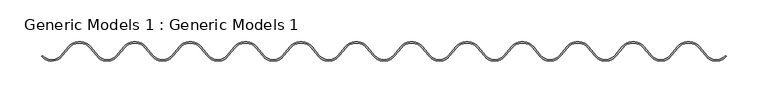
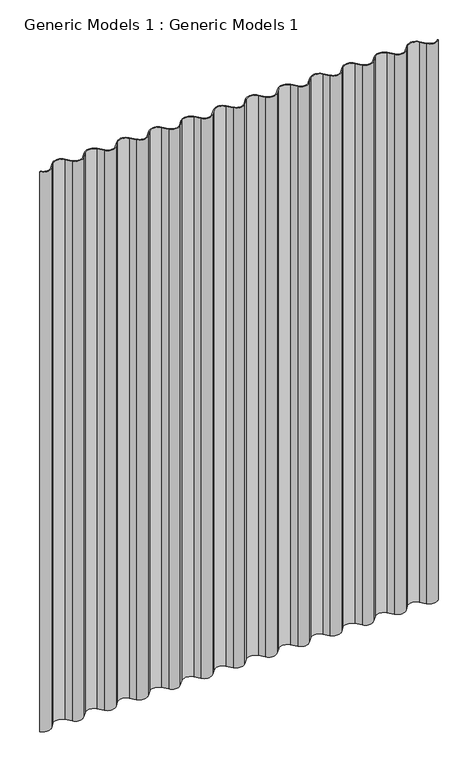
"""IFC4 building model written with IfcOpenShell, lengths in millimetres: proxy geometry, Generic Models 1 : Generic Models 1."""

from ifc_helpers import new_model, si_unit, point, frame_2d, origin, origin_with_axes, place, context, project, spatial, polyline, circle_curve, trimmed, segment, composite_curve, outline, extrude, source, transform, mapped, element, save


def generic_models_1_generic_models_1_3192b853(model_context):
    return source(origin(), model_context, "Body", "SweptSolid", [
        extrude(outline(composite_curve([segment(trimmed(circle_curve(frame_2d((380.5206824, 491.5406842)), 15.9330683), [point((392.6533646, 481.213018))], [point((368.4710577, 481.1162317))], False, "CARTESIAN"), True, "CONTINUOUS"), segment(polyline([(368.4710577, 481.1162317), (369.5968466, 482.2420207)]), True, "CONTINUOUS"), segment(trimmed(circle_curve(frame_2d((380.5206824, 491.5406842)), 14.3455683), [point((369.5968466, 482.2420207))], [point((391.4445182, 482.2420207))], True, "CARTESIAN"), True, "CONTINUOUS"), segment(polyline([(391.4445182, 482.2420207), (400.3678033, 492.7248714)]), True, "CONTINUOUS"), segment(trimmed(circle_curve(frame_2d((413.709332, 481.3682025)), 17.5205683), [point((400.3678033, 492.7248714))], [point((427.0508607, 492.7248714))], False, "CARTESIAN"), True, "CONTINUOUS"), segment(polyline([(427.0508607, 492.7248714), (435.9741458, 482.2420207)]), True, "CONTINUOUS"), segment(trimmed(circle_curve(frame_2d((446.8979816, 491.5406842)), 14.3455683), [point((435.9741458, 482.2420207))], [point((457.8218174, 482.2420207))], True, "CARTESIAN"), True, "CONTINUOUS"), segment(polyline([(457.8218174, 482.2420207), (466.7451025, 492.7248714)]), True, "CONTINUOUS"), segment(trimmed(circle_curve(frame_2d((480.0866312, 481.3682025)), 17.5205683), [point((466.7451025, 492.7248714))], [point((493.4281598, 492.7248714))], False, "CARTESIAN"), True, "CONTINUOUS"), segment(polyline([(493.4281598, 492.7248714), (502.351445, 482.2420207)]), True, "CONTINUOUS"), segment(trimmed(circle_curve(frame_2d((513.2752808, 491.5406842)), 14.3455683), [point((502.351445, 482.2420207))], [point((524.1991165, 482.2420207))], True, "CARTESIAN"), True, "CONTINUOUS"), segment(polyline([(524.1991165, 482.2420207), (533.1224017, 492.7248714)]), True, "CONTINUOUS"), segment(trimmed(circle_curve(frame_2d((546.4639304, 481.3682025)), 17.5205683), [point((533.1224017, 492.7248714))], [point((559.805459, 492.7248714))], False, "CARTESIAN"), True, "CONTINUOUS"), segment(polyline([(559.805459, 492.7248714), (568.7287442, 482.2420207)]), True, "CONTINUOUS"), segment(trimmed(circle_curve(frame_2d((579.6525799, 491.5406842)), 14.3455683), [point((568.7287442, 482.2420207))], [point((590.5764157, 482.2420207))], True, "CARTESIAN"), True, "CONTINUOUS"), segment(polyline([(590.5764157, 482.2420207), (599.4997009, 492.7248714)]), True, "CONTINUOUS"), segment(trimmed(circle_curve(frame_2d((612.8412295, 481.3682025)), 17.5205683), [point((599.4997009, 492.7248714))], [point((626.1827582, 492.7248714))], False, "CARTESIAN"), True, "CONTINUOUS"), segment(polyline([(626.1827582, 492.7248714), (635.1060434, 482.2420207)]), True, "CONTINUOUS"), segment(trimmed(circle_curve(frame_2d((646.0298791, 491.5406842)), 14.3455683), [point((635.1060434, 482.2420207))], [point((656.9537149, 482.2420207))], True, "CARTESIAN"), True, "CONTINUOUS"), segment(polyline([(656.9537149, 482.2420207), (665.8770001, 492.7248714)]), True, "CONTINUOUS"), segment(trimmed(circle_curve(frame_2d((679.2185287, 481.3682025)), 17.5205683), [point((665.8770001, 492.7248714))], [point((692.5600574, 492.7248714))], False, "CARTESIAN"), True, "CONTINUOUS"), segment(polyline([(692.5600574, 492.7248714), (701.4833425, 482.2420207)]), True, "CONTINUOUS"), segment(trimmed(circle_curve(frame_2d((712.4071783, 491.5406842)), 14.3455683), [point((701.4833425, 482.2420207))], [point((723.3310141, 482.2420207))], True, "CARTESIAN"), True, "CONTINUOUS"), segment(polyline([(723.3310141, 482.2420207), (732.2542992, 492.7248714)]), True, "CONTINUOUS"), segment(trimmed(circle_curve(frame_2d((745.5958279, 481.3682025)), 17.5205683), [point((732.2542992, 492.7248714))], [point((758.9373566, 492.7248714))], False, "CARTESIAN"), True, "CONTINUOUS"), segment(polyline([(758.9373566, 492.7248714), (767.8606417, 482.2420207)]), True, "CONTINUOUS"), segment(trimmed(circle_curve(frame_2d((778.7844775, 491.5406842)), 14.3455683), [point((767.8606417, 482.2420207))], [point((789.7083133, 482.2420207))], True, "CARTESIAN"), True, "CONTINUOUS"), segment(polyline([(789.7083133, 482.2420207), (798.6315984, 492.7248714)]), True, "CONTINUOUS"), segment(trimmed(circle_curve(frame_2d((811.9731271, 481.3682025)), 17.5205683), [point((798.6315984, 492.7248714))], [point((825.3146557, 492.7248714))], False, "CARTESIAN"), True, "CONTINUOUS"), segment(polyline([(825.3146557, 492.7248714), (834.2379409, 482.2420207)]), True, "CONTINUOUS"), segment(trimmed(circle_curve(frame_2d((845.1617767, 491.5406842)), 14.3455683), [point((834.2379409, 482.2420207))], [point((856.0856124, 482.2420207))], True, "CARTESIAN"), True, "CONTINUOUS"), segment(polyline([(856.0856124, 482.2420207), (865.0088976, 492.7248714)]), True, "CONTINUOUS"), segment(trimmed(circle_curve(frame_2d((878.3504263, 481.3682025)), 17.5205683), [point((865.0088976, 492.7248714))], [point((891.6919549, 492.7248714))], False, "CARTESIAN"), True, "CONTINUOUS"), segment(polyline([(891.6919549, 492.7248714), (900.6152401, 482.2420207)]), True, "CONTINUOUS"), segment(trimmed(circle_curve(frame_2d((911.5390758, 491.5406842)), 14.3455683), [point((900.6152401, 482.2420207))], [point((922.4629116, 482.2420207))], True, "CARTESIAN"), True, "CONTINUOUS"), segment(polyline([(922.4629116, 482.2420207), (931.3861968, 492.7248714)]), True, "CONTINUOUS"), segment(trimmed(circle_curve(frame_2d((944.7277254, 481.3682025)), 17.5205683), [point((931.3861968, 492.7248714))], [point((958.0692541, 492.7248714))], False, "CARTESIAN"), True, "CONTINUOUS"), segment(polyline([(958.0692541, 492.7248714), (966.9925393, 482.2420207)]), True, "CONTINUOUS"), segment(trimmed(circle_curve(frame_2d((977.916375, 491.5406842)), 14.3455683), [point((966.9925393, 482.2420207))], [point((988.8402108, 482.2420207))], True, "CARTESIAN"), True, "CONTINUOUS"), segment(polyline([(988.8402108, 482.2420207), (997.763496, 492.7248714)]), True, "CONTINUOUS"), segment(trimmed(circle_curve(frame_2d((1011.1050246, 481.3682025)), 17.5205683), [point((997.763496, 492.7248714))], [point((1024.4465533, 492.7248714))], False, "CARTESIAN"), True, "CONTINUOUS"), segment(polyline([(1024.4465533, 492.7248714), (1033.3698384, 482.2420207)]), True, "CONTINUOUS"), segment(trimmed(circle_curve(frame_2d((1044.2936742, 491.5406842)), 14.3455683), [point((1033.3698384, 482.2420207))], [point((1055.21751, 482.2420207))], True, "CARTESIAN"), True, "CONTINUOUS"), segment(polyline([(1055.21751, 482.2420207), (1064.1407951, 492.7248714)]), True, "CONTINUOUS"), segment(trimmed(circle_curve(frame_2d((1077.4823238, 481.3682025)), 17.5205683), [point((1064.1407951, 492.7248714))], [point((1090.8238524, 492.7248714))], False, "CARTESIAN"), True, "CONTINUOUS"), segment(polyline([(1090.8238524, 492.7248714), (1099.7471376, 482.2420207)]), True, "CONTINUOUS"), segment(trimmed(circle_curve(frame_2d((1110.6709734, 491.5406842)), 14.3455683), [point((1099.7471376, 482.2420207))], [point((1121.5948091, 482.2420207))], True, "CARTESIAN"), True, "CONTINUOUS"), segment(polyline([(1121.5948091, 482.2420207), (1130.5180943, 492.7248714)]), True, "CONTINUOUS"), segment(trimmed(circle_curve(frame_2d((1143.859623, 481.3682025)), 17.5205683), [point((1130.5180943, 492.7248714))], [point((1157.2011516, 492.7248714))], False, "CARTESIAN"), True, "CONTINUOUS"), segment(polyline([(1157.2011516, 492.7248714), (1166.1244368, 482.2420207)]), True, "CONTINUOUS"), segment(trimmed(circle_curve(frame_2d((1177.0482726, 491.5406842)), 14.3455683), [point((1166.1244368, 482.2420207))], [point((1187.9721083, 482.2420207))], True, "CARTESIAN"), True, "CONTINUOUS"), segment(polyline([(1187.9721083, 482.2420207), (1189.1809548, 481.213018)]), True, "CONTINUOUS"), segment(trimmed(circle_curve(frame_2d((1177.0482726, 491.5406842)), 15.9330683), [point((1189.1809548, 481.213018))], [point((1164.9155903, 481.213018))], False, "CARTESIAN"), True, "CONTINUOUS"), segment(polyline([(1164.9155903, 481.213018), (1155.9923052, 491.6958687)]), True, "CONTINUOUS"), segment(trimmed(circle_curve(frame_2d((1143.859623, 481.3682025)), 15.9330683), [point((1155.9923052, 491.6958687))], [point((1131.7269408, 491.6958687))], True, "CARTESIAN"), True, "CONTINUOUS"), segment(polyline([(1131.7269408, 491.6958687), (1122.8036556, 481.213018)]), True, "CONTINUOUS"), segment(trimmed(circle_curve(frame_2d((1110.6709734, 491.5406842)), 15.9330683), [point((1122.8036556, 481.213018))], [point((1098.5382912, 481.213018))], False, "CARTESIAN"), True, "CONTINUOUS"), segment(polyline([(1098.5382912, 481.213018), (1089.615006, 491.6958687)]), True, "CONTINUOUS"), segment(trimmed(circle_curve(frame_2d((1077.4823238, 481.3682025)), 15.9330683), [point((1089.615006, 491.6958687))], [point((1065.3496416, 491.6958687))], True, "CARTESIAN"), True, "CONTINUOUS"), segment(polyline([(1065.3496416, 491.6958687), (1056.4263564, 481.213018)]), True, "CONTINUOUS"), segment(trimmed(circle_curve(frame_2d((1044.2936742, 491.5406842)), 15.9330683), [point((1056.4263564, 481.213018))], [point((1032.160992, 481.213018))], False, "CARTESIAN"), True, "CONTINUOUS"), segment(polyline([(1032.160992, 481.213018), (1023.2377068, 491.6958687)]), True, "CONTINUOUS"), segment(trimmed(circle_curve(frame_2d((1011.1050246, 481.3682025)), 15.9330683), [point((1023.2377068, 491.6958687))], [point((998.9723424, 491.6958687))], True, "CARTESIAN"), True, "CONTINUOUS"), segment(polyline([(998.9723424, 491.6958687), (990.0490572, 481.213018)]), True, "CONTINUOUS"), segment(trimmed(circle_curve(frame_2d((977.916375, 491.5406842)), 15.9330683), [point((990.0490572, 481.213018))], [point((965.7836928, 481.213018))], False, "CARTESIAN"), True, "CONTINUOUS"), segment(polyline([(965.7836928, 481.213018), (956.8604076, 491.6958687)]), True, "CONTINUOUS"), segment(trimmed(circle_curve(frame_2d((944.7277254, 481.3682025)), 15.9330683), [point((956.8604076, 491.6958687))], [point((932.5950432, 491.6958687))], True, "CARTESIAN"), True, "CONTINUOUS"), segment(polyline([(932.5950432, 491.6958687), (923.6717581, 481.213018)]), True, "CONTINUOUS"), segment(trimmed(circle_curve(frame_2d((911.5390758, 491.5406842)), 15.9330683), [point((923.6717581, 481.213018))], [point((899.4063936, 481.213018))], False, "CARTESIAN"), True, "CONTINUOUS"), segment(polyline([(899.4063936, 481.213018), (890.4831085, 491.6958687)]), True, "CONTINUOUS"), segment(trimmed(circle_curve(frame_2d((878.3504263, 481.3682025)), 15.9330683), [point((890.4831085, 491.6958687))], [point((866.217744, 491.6958687))], True, "CARTESIAN"), True, "CONTINUOUS"), segment(polyline([(866.217744, 491.6958687), (857.2944589, 481.213018)]), True, "CONTINUOUS"), segment(trimmed(circle_curve(frame_2d((845.1617767, 491.5406842)), 15.9330683), [point((857.2944589, 481.213018))], [point((833.0290944, 481.213018))], False, "CARTESIAN"), True, "CONTINUOUS"), segment(polyline([(833.0290944, 481.213018), (824.1058093, 491.6958687)]), True, "CONTINUOUS"), segment(trimmed(circle_curve(frame_2d((811.9731271, 481.3682025)), 15.9330683), [point((824.1058093, 491.6958687))], [point((799.8404449, 491.6958687))], True, "CARTESIAN"), True, "CONTINUOUS"), segment(polyline([(799.8404449, 491.6958687), (790.9171597, 481.213018)]), True, "CONTINUOUS"), segment(trimmed(circle_curve(frame_2d((778.7844775, 491.5406842)), 15.9330683), [point((790.9171597, 481.213018))], [point((766.6517953, 481.213018))], False, "CARTESIAN"), True, "CONTINUOUS"), segment(polyline([(766.6517953, 481.213018), (757.7285101, 491.6958687)]), True, "CONTINUOUS"), segment(trimmed(circle_curve(frame_2d((745.5958279, 481.3682025)), 15.9330683), [point((757.7285101, 491.6958687))], [point((733.4631457, 491.6958687))], True, "CARTESIAN"), True, "CONTINUOUS"), segment(polyline([(733.4631457, 491.6958687), (724.5398605, 481.213018)]), True, "CONTINUOUS"), segment(trimmed(circle_curve(frame_2d((712.4071783, 491.5406842)), 15.9330683), [point((724.5398605, 481.213018))], [point((700.2744961, 481.213018))], False, "CARTESIAN"), True, "CONTINUOUS"), segment(polyline([(700.2744961, 481.213018), (691.3512109, 491.6958687)]), True, "CONTINUOUS"), segment(trimmed(circle_curve(frame_2d((679.2185287, 481.3682025)), 15.9330683), [point((691.3512109, 491.6958687))], [point((667.0858465, 491.6958687))], True, "CARTESIAN"), True, "CONTINUOUS"), segment(polyline([(667.0858465, 491.6958687), (658.1625613, 481.213018)]), True, "CONTINUOUS"), segment(trimmed(circle_curve(frame_2d((646.0298791, 491.5406842)), 15.9330683), [point((658.1625613, 481.213018))], [point((633.8971969, 481.213018))], False, "CARTESIAN"), True, "CONTINUOUS"), segment(polyline([(633.8971969, 481.213018), (624.9739118, 491.6958687)]), True, "CONTINUOUS"), segment(trimmed(circle_curve(frame_2d((612.8412295, 481.3682025)), 15.9330683), [point((624.9739118, 491.6958687))], [point((600.7085473, 491.6958687))], True, "CARTESIAN"), True, "CONTINUOUS"), segment(polyline([(600.7085473, 491.6958687), (591.7852622, 481.213018)]), True, "CONTINUOUS"), segment(trimmed(circle_curve(frame_2d((579.6525799, 491.5406842)), 15.9330683), [point((591.7852622, 481.213018))], [point((567.5198977, 481.213018))], False, "CARTESIAN"), True, "CONTINUOUS"), segment(polyline([(567.5198977, 481.213018), (558.5966126, 491.6958687)]), True, "CONTINUOUS"), segment(trimmed(circle_curve(frame_2d((546.4639304, 481.3682025)), 15.9330683), [point((558.5966126, 491.6958687))], [point((534.3312481, 491.6958687))], True, "CARTESIAN"), True, "CONTINUOUS"), segment(polyline([(534.3312481, 491.6958687), (525.407963, 481.213018)]), True, "CONTINUOUS"), segment(trimmed(circle_curve(frame_2d((513.2752808, 491.5406842)), 15.9330683), [point((525.407963, 481.213018))], [point((501.1425986, 481.213018))], False, "CARTESIAN"), True, "CONTINUOUS"), segment(polyline([(501.1425986, 481.213018), (492.2193134, 491.6958687)]), True, "CONTINUOUS"), segment(trimmed(circle_curve(frame_2d((480.0866312, 481.3682025)), 15.9330683), [point((492.2193134, 491.6958687))], [point((467.953949, 491.6958687))], True, "CARTESIAN"), True, "CONTINUOUS"), segment(polyline([(467.953949, 491.6958687), (459.0306638, 481.213018)]), True, "CONTINUOUS"), segment(trimmed(circle_curve(frame_2d((446.8979816, 491.5406842)), 15.9330683), [point((459.0306638, 481.213018))], [point((434.7652994, 481.213018))], False, "CARTESIAN"), True, "CONTINUOUS"), segment(polyline([(434.7652994, 481.213018), (425.8420142, 491.6958687)]), True, "CONTINUOUS"), segment(trimmed(circle_curve(frame_2d((413.709332, 481.3682025)), 15.9330683), [point((425.8420142, 491.6958687))], [point((401.5766498, 491.6958687))], True, "CARTESIAN"), True, "CONTINUOUS"), segment(polyline([(401.5766498, 491.6958687), (392.6533646, 481.213018)]), True, "CONTINUOUS")], self_intersect=False)), origin_with_axes(), (0.0, 0.0, 1.0), 1219.2),
    ])


if __name__ == "__main__":
    model = new_model("IFC4")
    model_context = context("Model", 3, world=origin())
    ifc_project = project(units=[si_unit("LENGTHUNIT", "METRE", prefix="MILLI")], contexts=[model_context])
    site = spatial("IfcSite", under=ifc_project)
    building = spatial("IfcBuilding", under=site)
    placement = place(None, origin())
    generic_models_1_generic_models_1_shape = generic_models_1_generic_models_1_3192b853(model_context)
    element("IfcBuildingElementProxy", 1, Name="Generic Models 1 : Generic Models 1", ObjectType="Generic Models 1 : Generic Models 1", at=placement, inside=building, context=model_context, shape_type="MappedRepresentation", body=[
        mapped(generic_models_1_generic_models_1_shape, transform((0.0, 0.0, 0.0), x_axis=(1.0, 0.0, 0.0), y_axis=(0.0, 1.0, 0.0), z_axis=(0.0, 0.0, 1.0))),
    ])
    save(model, "model.ifc")
